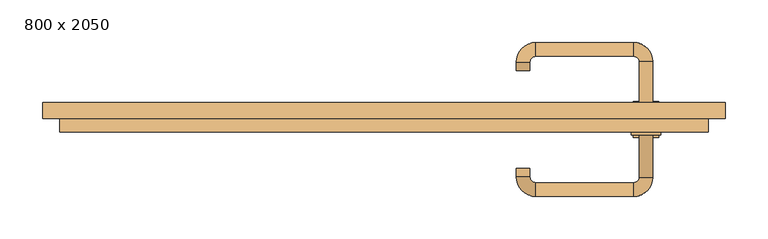
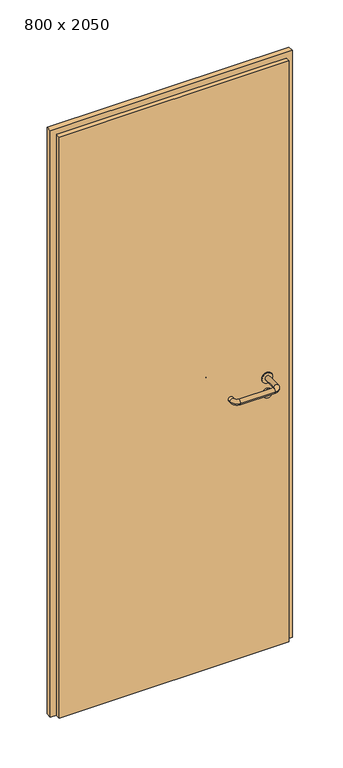
"""IFC4 building model written with IfcOpenShell, lengths in millimetres: door geometry, 800 x 2050."""

from ifc_helpers import new_model, si_unit, point, frame, frame_2d, origin, origin_with_axes, place, context, project, spatial, polyline, circle_curve, ellipse_curve, trimmed, segment, composite_curve, outline, extrude, source, transform, mapped, element, save
from ifc_brep_helpers import plane_surface, cylinder_surface, revolved_surface, advanced_brep


def door_800_x_2050_2cc56173(model_context):
    return source(origin(), model_context, "Body", "SolidModel", [
        extrude(outline(composite_curve([segment(trimmed(circle_curve(frame_2d((897.3605726, 307.0)), 15.0), [point((897.3605726, 322.0))], [point((897.3605726, 292.0))], False, "CARTESIAN"), True, "CONTINUOUS"), segment(trimmed(circle_curve(frame_2d((897.3605726, 307.0)), 15.0), [point((897.3605726, 292.0))], [point((897.3605726, 322.0))], False, "CARTESIAN"), True, "CONTINUOUS")], self_intersect=False), holes=[composite_curve([segment(trimmed(circle_curve(frame_2d((892.5833211, 306.9398032)), 2.0), [point((892.5833211, 308.9398032))], [point((892.5833211, 304.9398032))], True, "CARTESIAN"), True, "CONTINUOUS"), segment(polyline([(892.5833211, 304.9398032), (902.5833211, 304.9398032)]), True, "CONTINUOUS"), segment(trimmed(circle_curve(frame_2d((902.5833211, 306.9398032)), 2.0), [point((902.5833211, 304.9398032))], [point((902.5833211, 308.9398032))], True, "CARTESIAN"), True, "CONTINUOUS"), segment(polyline([(902.5833211, 308.9398032), (892.5833211, 308.9398032)]), True, "CONTINUOUS")], self_intersect=False)]), frame((0.0, -31.35, 0.0), z_axis=(0.0, 1.0, 0.0), x_axis=(0.0, 0.0, 1.0)), (0.0, 0.0, 1.0), 6.35),
        extrude(outline(composite_curve([segment(trimmed(circle_curve(frame_2d((950.0, 307.0)), 17.526), [point((950.0, 324.526))], [point((950.0, 289.474))], False, "CARTESIAN"), True, "CONTINUOUS"), segment(trimmed(circle_curve(frame_2d((950.0, 307.0)), 17.526), [point((950.0, 289.474))], [point((950.0, 324.526))], False, "CARTESIAN"), True, "CONTINUOUS")], self_intersect=False)), frame((0.0, -28.175, 0.0), z_axis=(0.0, 1.0, 0.0), x_axis=(0.0, 0.0, 1.0)), (0.0, 0.0, 1.0), 3.175),
        advanced_brep(
        [(315.0, -25.0, 950.0), (299.0, -25.0, 950.0), (299.0, -78.0, 950.0), (315.0, -78.0, 950.0), (292.8578644, -84.1421356, 950.0), (292.8578644, -100.1421356, 950.0), (177.8578644, -84.1421356, 950.0), (177.8578644, -100.1421356, 950.0), (171.008622, -77.2928932, 950.0), (155.008622, -77.2928932, 950.0), (155.008622, -67.2928932, 950.0), (171.008622, -67.2928932, 950.0)],
        [
            (0, 1, circle_curve(frame((307.0, -25.0, 950.0), z_axis=(0.0, 1.0, 0.0), x_axis=(-1.0, 0.0, 0.0)), 8.0)),
            (1, 0, circle_curve(frame((307.0, -25.0, 950.0), z_axis=(0.0, 1.0, 0.0), x_axis=(-1.0, 0.0, 0.0)), 8.0)),
            (1, 2),
            (2, 3, circle_curve(frame((307.0, -78.0, 950.0), z_axis=(0.0, 1.0, 0.0), x_axis=(-1.0, 0.0, 0.0)), 8.0)),
            (3, 0),
            (3, 2, circle_curve(frame((307.0, -78.0, 950.0), z_axis=(0.0, 1.0, 0.0), x_axis=(-1.0, 0.0, 0.0)), 8.0)),
            (4, 5, circle_curve(frame((292.8578644, -92.1421356, 950.0), z_axis=(1.0, 0.0, 0.0), x_axis=(0.0, 1.0, 0.0)), 8.0)),
            (5, 3, circle_curve(frame((292.8578644, -78.0, 950.0), z_axis=(0.0, 0.0, 1.0), x_axis=(1.0, 0.0, 0.0)), 22.1421356)),
            (2, 4, circle_curve(frame((292.8578644, -78.0, 950.0), z_axis=(0.0, 0.0, -1.0), x_axis=(1.0, 0.0, 0.0)), 6.1421356)),
            (5, 4, circle_curve(frame((292.8578644, -92.1421356, 950.0), z_axis=(1.0, 0.0, 0.0), x_axis=(0.0, 1.0, 0.0)), 8.0)),
            (4, 6),
            (6, 7, circle_curve(frame((177.8578644, -92.1421356, 950.0), z_axis=(1.0, 0.0, 0.0), x_axis=(0.0, 1.0, 0.0)), 8.0)),
            (7, 5),
            (7, 6, circle_curve(frame((177.8578644, -92.1421356, 950.0), z_axis=(1.0, 0.0, 0.0), x_axis=(0.0, 1.0, 0.0)), 8.0)),
            (8, 9, circle_curve(frame((163.008622, -77.2928932, 950.0), z_axis=(0.0, -1.0, 0.0), x_axis=(1.0, 0.0, 0.0)), 8.0)),
            (9, 7, circle_curve(frame((177.8578644, -77.2928932, 950.0), z_axis=(0.0, 0.0, 1.0), x_axis=(0.0, -1.0, 0.0)), 22.8492424)),
            (6, 8, circle_curve(frame((177.8578644, -77.2928932, 950.0), z_axis=(0.0, 0.0, -1.0), x_axis=(0.0, -1.0, 0.0)), 6.8492424)),
            (9, 8, circle_curve(frame((163.008622, -77.2928932, 950.0), z_axis=(0.0, -1.0, 0.0), x_axis=(1.0, 0.0, 0.0)), 8.0)),
            (10, 11, circle_curve(frame((163.008622, -67.2928932, 950.0), z_axis=(0.0, 1.0, 0.0), x_axis=(1.0, 0.0, 0.0)), 8.0)),
            (11, 10, circle_curve(frame((163.008622, -67.2928932, 950.0), z_axis=(0.0, 1.0, 0.0), x_axis=(1.0, 0.0, 0.0)), 8.0)),
            (8, 11),
            (10, 9),
        ],
        [
            plane_surface(frame((307.0, -25.0, 0.0), z_axis=(0.0, 1.0, 0.0), x_axis=(0.0, 0.0, 1.0))),
            cylinder_surface(frame((307.0, -25.0, 950.0), z_axis=(0.0, 1.0, 0.0), x_axis=(-1.0, 0.0, 0.0)), 8.0),
            revolved_surface(trimmed(ellipse_curve(frame((307.0, -78.0, 950.0), z_axis=(0.0, -1.0, 0.0), x_axis=(-1.0, 0.0, 0.0)), 8.0, 8.0), [point((315.0, -78.0, 950.0))], [point((299.0, -78.0, 950.0))], True, "CARTESIAN"), (292.8578644, -78.0, 0.0), (0.0, 0.0, 1.0)),
            revolved_surface(trimmed(ellipse_curve(frame((307.0, -78.0, 950.0), z_axis=(0.0, -1.0, 0.0), x_axis=(-1.0, 0.0, 0.0)), 8.0, 8.0), [point((299.0, -78.0, 950.0))], [point((315.0, -78.0, 950.0))], True, "CARTESIAN"), (292.8578644, -78.0, 0.0), (0.0, 0.0, 1.0)),
            cylinder_surface(frame((292.8578644, -92.1421356, 950.0), z_axis=(1.0, 0.0, 0.0), x_axis=(0.0, 1.0, 0.0)), 8.0),
            revolved_surface(trimmed(ellipse_curve(frame((177.8578644, -92.1421356, 950.0), z_axis=(-1.0, 0.0, 0.0), x_axis=(0.0, 1.0, 0.0)), 8.0, 8.0), [point((177.8578644, -100.1421356, 950.0))], [point((177.8578644, -84.1421356, 950.0))], True, "CARTESIAN"), (177.8578644, -77.2928932, 0.0), (0.0, 0.0, 1.0)),
            revolved_surface(trimmed(ellipse_curve(frame((177.8578644, -92.1421356, 950.0), z_axis=(-1.0, 0.0, 0.0), x_axis=(0.0, 1.0, 0.0)), 8.0, 8.0), [point((177.8578644, -84.1421356, 950.0))], [point((177.8578644, -100.1421356, 950.0))], True, "CARTESIAN"), (177.8578644, -77.2928932, 0.0), (0.0, 0.0, 1.0)),
            plane_surface(frame((163.008622, -67.2928932, 0.0), z_axis=(0.0, 1.0, 0.0), x_axis=(0.0, 0.0, 1.0))),
            cylinder_surface(frame((163.008622, -77.2928932, 950.0), z_axis=(0.0, -1.0, 0.0), x_axis=(1.0, 0.0, 0.0)), 8.0),
        ],
        [
            (0, [[1, 2]]),
            (1, [[3, 4, 5, -2]]),
            (1, [[-5, 6, -3, -1]]),
            (2, [[7, 8, -4, 9]]),
            (3, [[10, -9, -6, -8]]),
            (4, [[11, 12, 13, -7]]),
            (4, [[-13, 14, -11, -10]]),
            (5, [[15, 16, -12, 17]]),
            (6, [[18, -17, -14, -16]]),
            (7, [[19, 20]]),
            (8, [[21, -19, 22, -15]]),
            (8, [[-22, -20, -21, -18]]),
        ],
    ),
        extrude(outline(composite_curve([segment(trimmed(circle_curve(frame_2d((0.0, -15.0)), 15.0), [point((0.0, -30.0))], [point((0.0, 0.0))], False, "CARTESIAN"), True, "CONTINUOUS"), segment(trimmed(circle_curve(frame_2d((0.0, -15.0)), 15.0), [point((0.0, 0.0))], [point((0.0, -30.0))], False, "CARTESIAN"), True, "CONTINUOUS")], self_intersect=False), holes=[composite_curve([segment(trimmed(circle_curve(frame_2d((4.7772515, -14.9398032)), 2.0), [point((4.7772515, -16.9398032))], [point((4.7772515, -12.9398032))], True, "CARTESIAN"), True, "CONTINUOUS"), segment(polyline([(4.7772515, -12.9398032), (-5.2227485, -12.9398032)]), True, "CONTINUOUS"), segment(trimmed(circle_curve(frame_2d((-5.2227485, -14.9398032)), 2.0), [point((-5.2227485, -12.9398032))], [point((-5.2227485, -16.9398032))], True, "CARTESIAN"), True, "CONTINUOUS"), segment(polyline([(-5.2227485, -16.9398032), (4.7772515, -16.9398032)]), True, "CONTINUOUS")], self_intersect=False)]), frame((292.0, 5.0, 897.3605726), z_axis=(1.8870575173328306e-12, 1.0, 0.0), x_axis=(0.0, 0.0, -1.0)), (0.0, 0.0, 1.0), 6.35),
        extrude(outline(composite_curve([segment(trimmed(circle_curve(frame_2d((0.0, -17.526)), 17.526), [point((0.0, -35.052))], [point((0.0, 0.0))], False, "CARTESIAN"), True, "CONTINUOUS"), segment(trimmed(circle_curve(frame_2d((0.0, -17.526)), 17.526), [point((0.0, 0.0))], [point((0.0, -35.052))], False, "CARTESIAN"), True, "CONTINUOUS")], self_intersect=False)), frame((289.474, 5.0, 950.0), z_axis=(1.8870575173328306e-12, 1.0, 0.0), x_axis=(0.0, 0.0, -1.0)), (0.0, 0.0, 1.0), 3.175),
        advanced_brep(
        [(315.0, 5.0, 950.0), (299.0, 5.0, 950.0), (315.0, 58.0, 950.0), (299.0, 58.0, 950.0), (292.8578644, 64.1421356, 950.0), (292.8578644, 80.1421356, 950.0), (177.8578644, 80.1421356, 950.0), (177.8578644, 64.1421356, 950.0), (171.008622, 57.2928932, 950.0), (155.008622, 57.2928932, 950.0), (155.008622, 47.2928932, 950.0), (171.008622, 47.2928932, 950.0)],
        [
            (0, 1, circle_curve(frame((307.0, 5.0, 950.0), z_axis=(-1.888672253512351e-12, -1.0, 0.0), x_axis=(-1.0, 1.888672253512351e-12, 0.0)), 8.0)),
            (1, 0, circle_curve(frame((307.0, 5.0, 950.0), z_axis=(-1.888672253512351e-12, -1.0, 0.0), x_axis=(-1.0, 1.888672253512351e-12, 0.0)), 8.0)),
            (0, 2),
            (2, 3, circle_curve(frame((307.0, 58.0, 950.0), z_axis=(-1.888672253512351e-12, -1.0, 0.0), x_axis=(-1.0, 1.888672253512351e-12, 0.0)), 8.0)),
            (3, 1),
            (3, 2, circle_curve(frame((307.0, 58.0, 950.0), z_axis=(-1.888672253512351e-12, -1.0, 0.0), x_axis=(-1.0, 1.888672253512351e-12, 0.0)), 8.0)),
            (4, 3, circle_curve(frame((292.8578644, 58.0, 950.0), z_axis=(0.0, 0.0, -1.0), x_axis=(1.0, -1.880717803715015e-12, 0.0)), 6.1421356)),
            (2, 5, circle_curve(frame((292.8578644, 58.0, 950.0), z_axis=(0.0, 0.0, 1.0), x_axis=(1.0, -1.880717803715015e-12, 0.0)), 22.1421356)),
            (5, 4, circle_curve(frame((292.8578644, 72.1421356, 950.0), z_axis=(1.0, -1.913702061528922e-12, 0.0), x_axis=(-1.913702061528922e-12, -1.0, 0.0)), 8.0)),
            (4, 5, circle_curve(frame((292.8578644, 72.1421356, 950.0), z_axis=(1.0, -1.913702061528922e-12, 0.0), x_axis=(-1.913702061528922e-12, -1.0, 0.0)), 8.0)),
            (5, 6),
            (6, 7, circle_curve(frame((177.8578644, 72.1421356, 950.0), z_axis=(1.0, -1.913719828541269e-12, 0.0), x_axis=(-1.913719828541269e-12, -1.0, 0.0)), 8.0)),
            (7, 4),
            (7, 6, circle_curve(frame((177.8578644, 72.1421356, 950.0), z_axis=(1.0, -1.913719828541269e-12, 0.0), x_axis=(-1.913719828541269e-12, -1.0, 0.0)), 8.0)),
            (8, 7, circle_curve(frame((177.8578644, 57.2928932, 950.0), z_axis=(0.0, 0.0, -1.0), x_axis=(1.9120873253494017e-12, 1.0, 0.0)), 6.8492424)),
            (6, 9, circle_curve(frame((177.8578644, 57.2928932, 950.0), z_axis=(0.0, 0.0, 1.0), x_axis=(1.9120873253494017e-12, 1.0, 0.0)), 22.8492424)),
            (9, 8, circle_curve(frame((163.008622, 57.2928932, 950.0), z_axis=(1.890448610351751e-12, 1.0, 0.0), x_axis=(1.0, -1.890448610351751e-12, 0.0)), 8.0)),
            (8, 9, circle_curve(frame((163.008622, 57.2928932, 950.0), z_axis=(1.8888942981172756e-12, 1.0, 0.0), x_axis=(1.0, -1.8888942981172756e-12, 0.0)), 8.0)),
            (10, 11, circle_curve(frame((163.008622, 47.2928932, 950.0), z_axis=(-1.8903642334018795e-12, -1.0, 0.0), x_axis=(1.0, -1.8903642334018795e-12, 0.0)), 8.0)),
            (11, 10, circle_curve(frame((163.008622, 47.2928932, 950.0), z_axis=(-1.8903642334018795e-12, -1.0, 0.0), x_axis=(1.0, -1.8903642334018795e-12, 0.0)), 8.0)),
            (9, 10),
            (11, 8),
        ],
        [
            plane_surface(frame((307.0, 5.0, 0.0), z_axis=(-1.8870575173328306e-12, -1.0, 0.0), x_axis=(0.0, 0.0, 1.0))),
            cylinder_surface(frame((307.0, 5.0, 950.0), z_axis=(-1.888672253512351e-12, -1.0, 0.0), x_axis=(-1.0, 1.888672253512351e-12, 0.0)), 8.0),
            revolved_surface(trimmed(ellipse_curve(frame((307.0, 58.0, 950.0), z_axis=(-1.8823325398945356e-12, -1.0, 0.0), x_axis=(-1.0, 1.8823325398945356e-12, 0.0)), 8.0, 8.0), [point((315.0, 58.0, 950.0))], [point((299.0, 58.0, 950.0))], True, "CARTESIAN"), (292.8578644, 58.0, 0.0), (0.0, 0.0, 1.0)),
            revolved_surface(trimmed(ellipse_curve(frame((307.0, 58.0, 950.0), z_axis=(-1.8823325398945356e-12, -1.0, 0.0), x_axis=(-1.0, 1.8823325398945356e-12, 0.0)), 8.0, 8.0), [point((299.0, 58.0, 950.0))], [point((315.0, 58.0, 950.0))], True, "CARTESIAN"), (292.8578644, 58.0, 0.0), (0.0, 0.0, 1.0)),
            cylinder_surface(frame((292.8578644, 72.1421356, 950.0), z_axis=(1.0, -1.913719828541269e-12, 0.0), x_axis=(-1.913719828541269e-12, -1.0, 0.0)), 8.0),
            revolved_surface(trimmed(ellipse_curve(frame((177.8578644, 72.1421356, 950.0), z_axis=(1.0, -1.913702061528922e-12, 0.0), x_axis=(-1.913702061528922e-12, -1.0, 0.0)), 8.0, 8.0), [point((177.8578644, 80.1421356, 950.0))], [point((177.8578644, 64.1421356, 950.0))], True, "CARTESIAN"), (177.8578644, 57.2928932, 0.0), (0.0, 0.0, 1.0)),
            revolved_surface(trimmed(ellipse_curve(frame((177.8578644, 72.1421356, 950.0), z_axis=(1.0, -1.913702061528922e-12, 0.0), x_axis=(-1.913702061528922e-12, -1.0, 0.0)), 8.0, 8.0), [point((177.8578644, 64.1421356, 950.0))], [point((177.8578644, 80.1421356, 950.0))], True, "CARTESIAN"), (177.8578644, 57.2928932, 0.0), (0.0, 0.0, 1.0)),
            plane_surface(frame((163.008622, 47.2928932, 0.0), z_axis=(-1.8887494972223595e-12, -1.0, 0.0), x_axis=(0.0, 0.0, 1.0))),
            cylinder_surface(frame((163.008622, 57.2928932, 950.0), z_axis=(1.8903642334018795e-12, 1.0, 0.0), x_axis=(1.0, -1.8903642334018795e-12, 0.0)), 8.0),
        ],
        [
            (0, [[1, 2]]),
            (1, [[-1, 3, 4, 5]]),
            (1, [[-2, -5, 6, -3]]),
            (2, [[7, -4, 8, 9]]),
            (3, [[-8, -6, -7, 10]]),
            (4, [[-9, 11, 12, 13]]),
            (4, [[-10, -13, 14, -11]]),
            (5, [[15, -12, 16, 17]]),
            (6, [[-16, -14, -15, 18]]),
            (7, [[19, 20]]),
            (8, [[-17, 21, -20, 22]]),
            (8, [[-18, -22, -19, -21]]),
        ],
    ),
        extrude(outline(polyline([(2030.0, 380.0), (0.0, 380.0), (0.0, 400.0), (2050.0, 400.0), (2050.0, -400.0), (0.0, -400.0), (0.0, -380.0), (2030.0, -380.0), (2030.0, 380.0)])), frame((0.0, -9.0, 0.0), z_axis=(0.0, 1.0, 0.0), x_axis=(0.0, 0.0, 1.0)), (0.0, 0.0, 1.0), 19.0),
        extrude(outline(polyline([(-380.0, 5.0), (380.0, 5.0), (380.0, -25.0), (-380.0, -25.0), (-380.0, 5.0)])), origin_with_axes(), (0.0, 0.0, 1.0), 2030.0),
    ])


if __name__ == "__main__":
    model = new_model("IFC4")
    model_context = context("Model", 3, world=origin())
    ifc_project = project(units=[si_unit("LENGTHUNIT", "METRE", prefix="MILLI")], contexts=[model_context])
    site = spatial("IfcSite", under=ifc_project)
    building = spatial("IfcBuilding", under=site)
    placement = place(None, origin())
    door_800_x_2050_shape = door_800_x_2050_2cc56173(model_context)
    element("IfcDoor", 1, ObjectType="800 x 2050", at=placement, inside=building, context=model_context, shape_type="MappedRepresentation", body=[
        mapped(door_800_x_2050_shape, transform((0.0, 0.0, 0.0), x_axis=(1.0, 0.0, 0.0), y_axis=(0.0, 1.0, 0.0), z_axis=(0.0, 0.0, 1.0))),
    ])
    save(model, "model.ifc")
